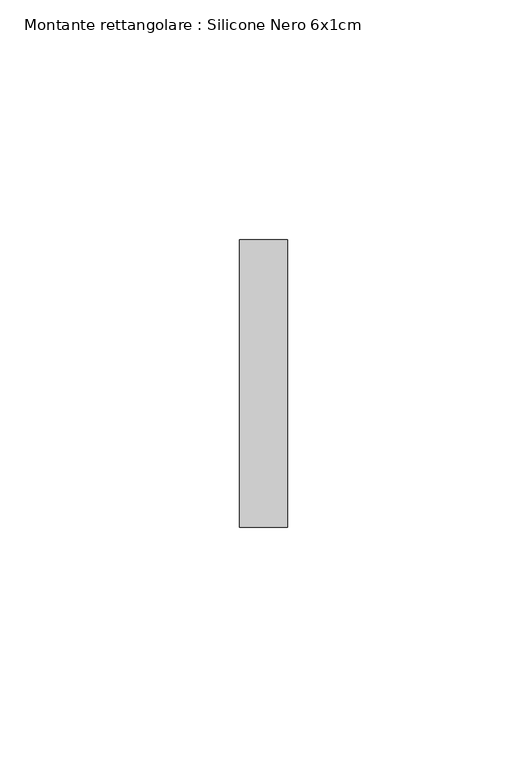
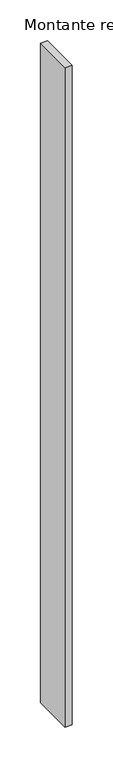
"""IFC4 building model written with IfcOpenShell, lengths in millimetres: member geometry, Montante rettangolare : Silicone Nero 6x1cm."""

from ifc_helpers import new_model, si_unit, frame, origin, place, context, project, spatial, polyline, outline, extrude, source, transform, mapped, element, save


def montante_rettangolare_silicone_nero_6x1cm_da88c089(model_context):
    return source(origin(), model_context, "Body", "SweptSolid", [
        extrude(outline(polyline([(0.0, 60.0), (0.0, 0.0), (-10.0, 0.0), (-10.0, 60.0), (0.0, 60.0)])), frame((0.0, 0.0, -985.0), z_axis=(0.0, 0.0, 1.0), x_axis=(1.0, 0.0, 0.0)), (0.0, 0.0, 1.0), 985.0),
    ])


if __name__ == "__main__":
    model = new_model("IFC4")
    model_context = context("Model", 3, world=origin())
    ifc_project = project(units=[si_unit("LENGTHUNIT", "METRE", prefix="MILLI")], contexts=[model_context])
    site = spatial("IfcSite", under=ifc_project)
    building = spatial("IfcBuilding", under=site)
    placement = place(None, origin())
    montante_rettangolare_silicone_nero_6x1cm_shape = montante_rettangolare_silicone_nero_6x1cm_da88c089(model_context)
    element("IfcMember", 1, ObjectType="Montante rettangolare : Silicone Nero 6x1cm", at=placement, inside=building, context=model_context, shape_type="MappedRepresentation", body=[
        mapped(montante_rettangolare_silicone_nero_6x1cm_shape, transform((0.0, 0.0, 0.0), x_axis=(1.0, 0.0, 0.0), y_axis=(0.0, 1.0, 0.0), z_axis=(0.0, 0.0, 1.0))),
    ])
    save(model, "model.ifc")
